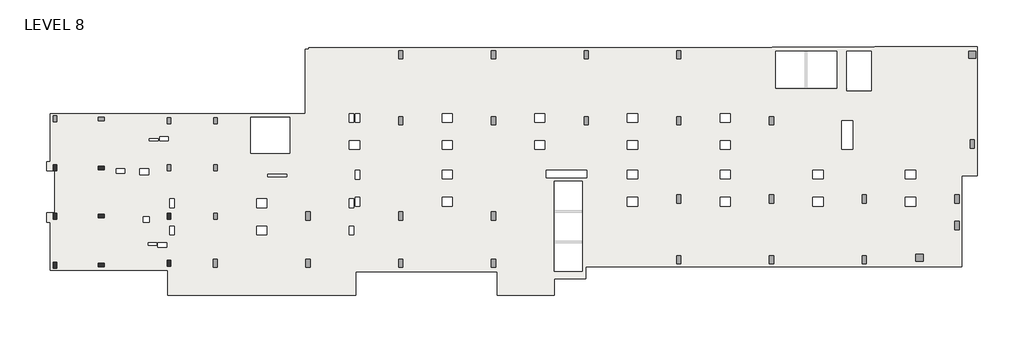
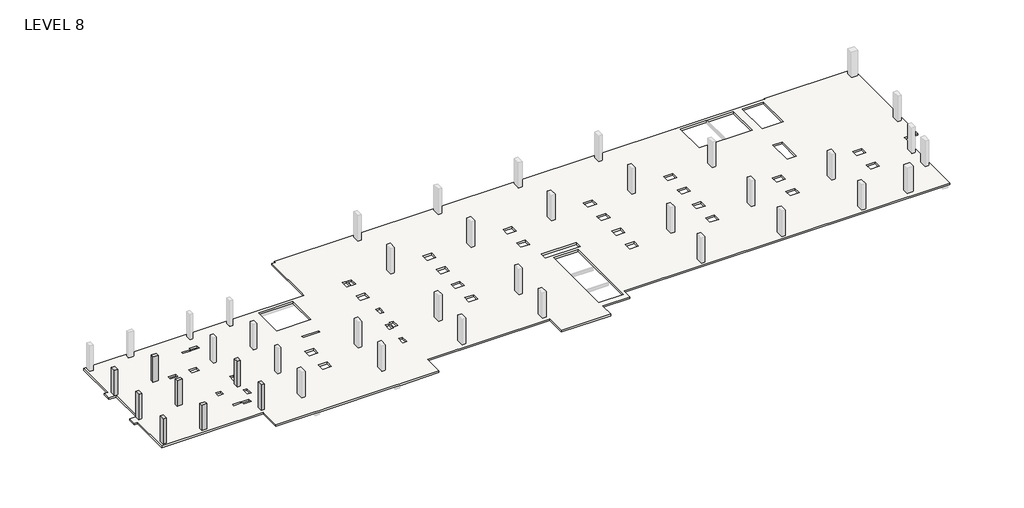
# One storey, part 1 of 2: 8 columns, 1 slab.
"""IFC4 building model written with IfcOpenShell, lengths in millimetres."""

from ifc_helpers import new_model, si_unit, frame, origin, place, context, project, spatial, polyline, outline, extrude, faceted_brep, element, save

model = new_model("IFC4")

# Units and contexts
model_context = context("Model", 3, world=origin())
ifc_project = project(units=[si_unit("LENGTHUNIT", "METRE", prefix="MILLI")], contexts=[model_context])

# Site, building, storey
site = spatial("IfcSite", under=ifc_project)
building = spatial("IfcBuilding", under=site)
storey = spatial("IfcBuildingStorey", under=building, Name="LEVEL 8", Elevation=24587.2)

# Columns
placement = place(None, origin())
element("IfcColumn", 1, ObjectType="UC Concrete-Rectangular-Column : 12 x 20", at=placement, inside=storey, context=model_context, shape_type="SweptSolid", body=[
    extrude(outline(polyline([(-12613.7610058, -25075.0962939), (-12613.7610058, -25583.0962939), (-12918.5610058, -25583.0962939), (-12918.5610058, -25075.0962939), (-12613.7610058, -25075.0962939)])), frame((0.0, 0.0, 24587.2), z_axis=(0.0, 0.0, 1.0), x_axis=(1.0, 0.0, 0.0)), (0.0, 0.0, 1.0), 2667.0),
])
element("IfcColumn", 2, ObjectType="UC Concrete-Rectangular-Column : 12 x 20", at=placement, inside=storey, context=model_context, shape_type="SweptSolid", body=[
    extrude(outline(polyline([(-9057.7610058, -25176.6962939), (-8549.7610058, -25176.6962939), (-8549.7610058, -25481.4962939), (-9057.7610058, -25481.4962939), (-9057.7610058, -25176.6962939)])), frame((0.0, 0.0, 24587.2), z_axis=(0.0, 0.0, 1.0), x_axis=(1.0, 0.0, 0.0)), (0.0, 0.0, 1.0), 2667.0),
])
element("IfcColumn", 3, ObjectType="UC Concrete-Rectangular-Column : 12 x 20", at=placement, inside=storey, context=model_context, shape_type="SweptSolid", body=[
    extrude(outline(polyline([(-12613.7610058, -29189.8962158), (-12613.7610058, -29697.8962158), (-12918.5610058, -29697.8962158), (-12918.5610058, -29189.8962158), (-12613.7610058, -29189.8962158)])), frame((0.0, 0.0, 24587.2), z_axis=(0.0, 0.0, 1.0), x_axis=(1.0, 0.0, 0.0)), (0.0, 0.0, 1.0), 2667.0),
])
element("IfcColumn", 4, ObjectType="UC Concrete-Rectangular-Column : 12 x 20", at=placement, inside=storey, context=model_context, shape_type="SweptSolid", body=[
    extrude(outline(polyline([(-8549.7610058, -29596.2962158), (-9057.7610058, -29596.2962158), (-9057.7610058, -29291.4962158), (-8549.7610058, -29291.4962158), (-8549.7610058, -29596.2962158)])), frame((0.0, 0.0, 24587.2), z_axis=(0.0, 0.0, 1.0), x_axis=(1.0, 0.0, 0.0)), (0.0, 0.0, 1.0), 2667.0),
])
element("IfcColumn", 5, ObjectType="UC Concrete-Rectangular-Column : 12 x 20", at=placement, inside=storey, context=model_context, shape_type="SweptSolid", body=[
    extrude(outline(polyline([(-12613.7610058, -33380.9107149), (-12613.7610058, -33888.9107149), (-12918.5610058, -33888.9107149), (-12918.5610058, -33380.9107149), (-12613.7610058, -33380.9107149)])), frame((0.0, 0.0, 24587.2), z_axis=(0.0, 0.0, 1.0), x_axis=(1.0, 0.0, 0.0)), (0.0, 0.0, 1.0), 2667.0),
])
element("IfcColumn", 6, ObjectType="UC Concrete-Rectangular-Column : 12 x 20", at=placement, inside=storey, context=model_context, shape_type="SweptSolid", body=[
    extrude(outline(polyline([(-9057.7610058, -33482.5107149), (-8549.7610058, -33482.5107149), (-8549.7610058, -33787.3107149), (-9057.7610058, -33787.3107149), (-9057.7610058, -33482.5107149)])), frame((0.0, 0.0, 24587.2), z_axis=(0.0, 0.0, 1.0), x_axis=(1.0, 0.0, 0.0)), (0.0, 0.0, 1.0), 2667.0),
])
element("IfcColumn", 7, ObjectType="UC Concrete-Rectangular-Column : 12 x 20", at=placement, inside=storey, context=model_context, shape_type="SweptSolid", body=[
    extrude(outline(polyline([(-2860.1610058, -29189.8962158), (-2860.1610058, -29697.8962158), (-3164.9610058, -29697.8962158), (-3164.9610058, -29189.8962158), (-2860.1610058, -29189.8962158)])), frame((0.0, 0.0, 24587.2), z_axis=(0.0, 0.0, 1.0), x_axis=(1.0, 0.0, 0.0)), (0.0, 0.0, 1.0), 2667.0),
])
element("IfcColumn", 8, ObjectType="UC Concrete-Rectangular-Column : 12 x 20", at=placement, inside=storey, context=model_context, shape_type="SweptSolid", body=[
    extrude(outline(polyline([(-2860.1610058, -33228.5107149), (-2860.1610058, -33736.5107149), (-3164.9610058, -33736.5107149), (-3164.9610058, -33228.5107149), (-2860.1610058, -33228.5107149)])), frame((0.0, 0.0, 24587.2), z_axis=(0.0, 0.0, 1.0), x_axis=(1.0, 0.0, 0.0)), (0.0, 0.0, 1.0), 2667.0),
])

# Slab
element("IfcSlab", 9, ObjectType="7\" Concrete", at=placement, inside=storey, context=model_context, shape_type="Brep", body=[
    faceted_brep([(57329.9014942, -15029.4107149, 24409.4), (57329.9014942, -14953.2107149, 24409.4), (66100.8383695, -14953.2107149, 24409.4), (66100.8383695, -25989.5107149, 24409.4), (64773.6889942, -25989.5107149, 24409.4), (64773.6889942, -33774.6107149, 24409.4), (32604.5889942, -33774.6107149, 24409.4), (32604.5889942, -34790.6107149, 24409.4), (29915.3639942, -34790.6107149, 24409.4), (29915.3639942, -36213.0107149, 24409.4), (25029.0393065, -36213.0107149, 24409.4), (25029.0393065, -34219.1107149, 24409.4), (12964.0386818, -34219.1107149, 24409.4), (12964.0386818, -36213.0107149, 24409.4), (9077.8389942, -36213.0107149, 24409.4), (8671.4389942, -36213.0107149, 24409.4), (1153.0389942, -36213.0107149, 24409.4), (746.6389942, -36213.0107149, 24409.4), (-3120.5110058, -36213.0107149, 24409.4), (-3120.5110058, -34060.3310305, 24409.4), (-13155.4513218, -34060.3310305, 24409.4), (-13155.4513218, -29958.2607149, 24409.4), (-13483.7110058, -29958.2607149, 24409.4), (-13483.7110058, -29183.5607149, 24409.4), (-12766.1169468, -29183.5607149, 24409.4), (-12766.1169468, -25589.4607149, 24409.4), (-13483.7110058, -25589.4607149, 24409.4), (-13483.7110058, -24814.7607149, 24409.4), (-13155.4513218, -24814.7607149, 24409.4), (-13155.4513218, -20712.6903994, 24409.4), (797.4389942, -20712.6903994, 24409.4), (8620.6389942, -20712.6903994, 24409.4), (8620.6389942, -15197.6857149, 24409.4), (8925.4389942, -15197.6857149, 24409.4), (8925.4389942, -15054.8107149, 24409.4), (48541.5014942, -15054.8107149, 24409.4), (48541.5014942, -15029.4107149, 24409.4), (54078.7014942, -15334.2107149, 24409.4), (48846.3014942, -15334.2107149, 24409.4), (48846.3014942, -18511.7121146, 24409.4), (54078.7014942, -18511.7121146, 24409.4), (29912.1889942, -34181.7272222, 24409.4), (32299.7889942, -34181.7272222, 24409.4), (32299.7889942, -26487.2692077, 24409.4), (29912.1889942, -26487.2692077, 24409.4), (3972.4389942, -21017.4903994, 24409.4), (3972.4389942, -24095.6232149, 24409.4), (7325.2389942, -24095.6232149, 24409.4), (7325.2389942, -21017.4903994, 24409.4), (57025.1014942, -15334.2107149, 24409.4), (54933.1413578, -15334.2107149, 24409.4), (54933.1413578, -18744.1607149, 24409.4), (57025.1014942, -18744.1607149, 24409.4), (29123.2162484, -20696.7857149, 24409.4), (28250.0617399, -20696.7857149, 24409.4), (28250.0617399, -21427.0315227, 24409.4), (29123.2162484, -21427.0315227, 24409.4), (29123.2329503, -23011.3607149, 24409.4), (28250.045038, -23011.3607149, 24409.4), (28250.045038, -23744.7857149, 24409.4), (29123.2329503, -23744.7857149, 24409.4), (37048.0162484, -20696.7857149, 24409.4), (36174.8617399, -20696.7857149, 24409.4), (36174.8617399, -21427.0315227, 24409.4), (37048.0162484, -21427.0315227, 24409.4), (37048.0329503, -23011.3607149, 24409.4), (36174.845038, -23011.3607149, 24409.4), (36174.845038, -23744.7857149, 24409.4), (37048.0329503, -23744.7857149, 24409.4), (37048.0329503, -25541.8357149, 24409.4), (36174.8784418, -25541.8357149, 24409.4), (36174.8784418, -26272.0815227, 24409.4), (37048.0329503, -26272.0815227, 24409.4), (37048.0496522, -27856.4107149, 24409.4), (36174.8617399, -27856.4107149, 24409.4), (36174.8617399, -28589.8357149, 24409.4), (37048.0496522, -28589.8357149, 24409.4), (44972.8162484, -20696.7857149, 24409.4), (44099.6617399, -20696.7857149, 24409.4), (44099.6617399, -21427.0315227, 24409.4), (44972.8162484, -21427.0315227, 24409.4), (44972.8329503, -23011.3607149, 24409.4), (44099.645038, -23011.3607149, 24409.4), (44099.645038, -23744.7857149, 24409.4), (44972.8329503, -23744.7857149, 24409.4), (44972.8329503, -25541.8357149, 24409.4), (44099.6784418, -25541.8357149, 24409.4), (44099.6784418, -26272.0815227, 24409.4), (44972.8329503, -26272.0815227, 24409.4), (44972.8496522, -27856.4107149, 24409.4), (44099.6617399, -27856.4107149, 24409.4), (44099.6617399, -28589.8357149, 24409.4), (44972.8496522, -28589.8357149, 24409.4), (55421.7306924, -21315.9107149, 24409.4), (54513.6767085, -21315.9107149, 24409.4), (54513.6767085, -23754.3107149, 24409.4), (55421.7306924, -23754.3107149, 24409.4), (52897.6329503, -25541.8357149, 24409.4), (52024.4784418, -25541.8357149, 24409.4), (52024.4784418, -26272.0815227, 24409.4), (52897.6329503, -26272.0815227, 24409.4), (52897.6496522, -27856.4107149, 24409.4), (52024.4617399, -27856.4107149, 24409.4), (52024.4617399, -28589.8357149, 24409.4), (52897.6496522, -28589.8357149, 24409.4), (60822.4329503, -25541.8357149, 24409.4), (59949.2784418, -25541.8357149, 24409.4), (59949.2784418, -26272.0815227, 24409.4), (60822.4329503, -26272.0815227, 24409.4), (60822.4496522, -27856.4107149, 24409.4), (59949.2617399, -27856.4107149, 24409.4), (59949.2617399, -28589.8357149, 24409.4), (60822.4496522, -28589.8357149, 24409.4), (21198.4162484, -20696.7857149, 24409.4), (20325.2617399, -20696.7857149, 24409.4), (20325.2617399, -21427.0315227, 24409.4), (21198.4162484, -21427.0315227, 24409.4), (21198.4329503, -23011.3607149, 24409.4), (20325.245038, -23011.3607149, 24409.4), (20325.245038, -23744.7857149, 24409.4), (21198.4329503, -23744.7857149, 24409.4), (21198.4329503, -25540.2600871, 24409.4), (20325.245038, -25540.2600871, 24409.4), (20325.245038, -26273.6850871, 24409.4), (21198.4329503, -26273.6850871, 24409.4), (21198.4329503, -27856.4247435, 24409.4), (20325.245038, -27856.4247435, 24409.4), (20325.245038, -28589.8497435, 24409.4), (21198.4329503, -28589.8497435, 24409.4), (13273.6162484, -23011.3747435, 24409.4), (12400.4283362, -23011.3747435, 24409.4), (12400.4283362, -23744.7997435, 24409.4), (13273.6162484, -23744.7997435, 24409.4), (13273.6329503, -25549.7872435, 24409.4), (12898.9511818, -25549.7872435, 24409.4), (12898.9511818, -26283.2122435, 24409.4), (13273.6329503, -26283.2122435, 24409.4), (13273.6329503, -27858.0306162, 24409.4), (12898.9511818, -27858.0306162, 24409.4), (12898.9511818, -28591.4556162, 24409.4), (13273.6329503, -28591.4556162, 24409.4), (12775.1350013, -27980.26602, 24409.4), (12400.4532328, -27980.26602, 24409.4), (12400.4532328, -28713.69102, 24409.4), (12775.1350013, -28713.69102, 24409.4), (12775.1350013, -30296.4143396, 24409.4), (12400.4532328, -30296.4143396, 24409.4), (12400.4532328, -31029.8393396, 24409.4), (12775.1350013, -31029.8393396, 24409.4), (5348.8159361, -30296.4143396, 24409.4), (4475.6620523, -30296.4143396, 24409.4), (4475.6620523, -31029.8393396, 24409.4), (5348.8159361, -31029.8393396, 24409.4), (-4736.5860058, -25391.0377141, 24409.4), (-5495.4110058, -25391.0377141, 24409.4), (-5495.4110058, -25894.3063579, 24409.4), (-4736.5860058, -25894.3063579, 24409.4), (-2575.9840639, -30297.9899072, 24409.4), (-2936.3610058, -30297.9899072, 24409.4), (-2936.3610058, -31028.2357149, 24409.4), (-2575.9840639, -31028.2357149, 24409.4), (-2575.9673621, -27980.2327488, 24409.4), (-2936.3610058, -27980.2327488, 24409.4), (-2936.3610058, -28713.6577488, 24409.4), (-2575.9673621, -28713.6577488, 24409.4), (-3955.5318136, -31734.6434324, 24409.4), (-3955.5318136, -32129.9453743, 24409.4), (-3212.5860058, -32129.9453743, 24409.4), (-3212.5860058, -31734.6434324, 24409.4), (-4809.6068136, -31744.9675477, 24409.4), (-4809.6068136, -31933.1120762, 24409.4), (-4050.7818136, -31933.1120762, 24409.4), (-4050.7818136, -31744.9675477, 24409.4), (13273.6245994, -20696.7857149, 24409.4), (12898.9428309, -20696.7857149, 24409.4), (12898.9428309, -21427.0315227, 24409.4), (13273.6245994, -21427.0315227, 24409.4), (12775.1351575, -20696.7857149, 24409.4), (12400.453389, -20696.7857149, 24409.4), (12400.453389, -21427.0315227, 24409.4), (12775.1351575, -21427.0315227, 24409.4), (-4685.7818136, -22839.9093537, 24409.4), (-4685.7818136, -23025.6779974, 24409.4), (-3926.9568136, -23025.6779974, 24409.4), (-3926.9568136, -22839.9093537, 24409.4), (-5207.5557798, -29505.837636, 24409.4), (-5207.5557798, -29980.4953131, 24409.4), (-4708.0110058, -29980.4953131, 24409.4), (-4708.0110058, -29505.837636, 24409.4), (29254.9639942, -25513.2607149, 24409.4), (29254.9639942, -26182.4692077, 24409.4), (32693.4889942, -26182.4692077, 24409.4), (32693.4889942, -25513.2607149, 24409.4), (7044.9556867, -25881.5621481, 24409.4), (5407.1871152, -25881.5621481, 24409.4), (5407.1871152, -26084.7621481, 24409.4), (7044.9556867, -26084.7621481, 24409.4), (5348.8159361, -27981.0375273, 24409.4), (4475.6620523, -27981.0375273, 24409.4), (4475.6620523, -28714.4625273, 24409.4), (5348.8159361, -28714.4625273, 24409.4), (-7516.3006019, -25401.3473693, 24409.4), (-7516.3006019, -25776.0291377, 24409.4), (-6782.8756019, -25776.0291377, 24409.4), (-6782.8756019, -25401.3473693, 24409.4), (-3826.9323811, -22647.0361423, 24409.4), (-3826.9323811, -23021.7179107, 24409.4), (-3093.5073811, -23021.7179107, 24409.4), (-3093.5073811, -22647.0361423, 24409.4), (57329.9014942, -14953.2107149, 24587.2), (57329.9014942, -15029.4107149, 24587.2), (48541.5014942, -15029.4107149, 24587.2), (48541.5014942, -15054.8107149, 24587.2), (8925.4389942, -15054.8107149, 24587.2), (8925.4389942, -15197.6857149, 24587.2), (8620.6389942, -15197.6857149, 24587.2), (8620.6389942, -20712.6903994, 24587.2), (-13155.4513218, -20712.6903994, 24587.2), (-13155.4513218, -24814.7607149, 24587.2), (-13483.7110058, -24814.7607149, 24587.2), (-13483.7110058, -25589.4607149, 24587.2), (-12766.1169468, -25589.4607149, 24587.2), (-12766.1169468, -29183.5607149, 24587.2), (-13483.7110058, -29183.5607149, 24587.2), (-13483.7110058, -29958.2607149, 24587.2), (-13155.4513218, -29958.2607149, 24587.2), (-13155.4513218, -34060.3310305, 24587.2), (-3120.5110058, -34060.3310305, 24587.2), (-3120.5110058, -36213.0107149, 24587.2), (12964.0386818, -36213.0107149, 24587.2), (12964.0386818, -34219.1107149, 24587.2), (25029.0393065, -34219.1107149, 24587.2), (25029.0393065, -36213.0107149, 24587.2), (29915.3639942, -36213.0107149, 24587.2), (29915.3639942, -34790.6107149, 24587.2), (32604.5889942, -34790.6107149, 24587.2), (32604.5889942, -33774.6107149, 24587.2), (64773.6889942, -33774.6107149, 24587.2), (64773.6889942, -25989.5107149, 24587.2), (66100.8383695, -25989.5107149, 24587.2), (66100.8383695, -14953.2107149, 24587.2), (48846.3014942, -15334.2107149, 24587.2), (54078.7014942, -15334.2107149, 24587.2), (54078.7014942, -18511.7121146, 24587.2), (48846.3014942, -18511.7121146, 24587.2), (32299.7889942, -34181.7272222, 24587.2), (29912.1889942, -34181.7272222, 24587.2), (29912.1889942, -26487.2692077, 24587.2), (32299.7889942, -26487.2692077, 24587.2), (3972.4389942, -24095.6232149, 24587.2), (3972.4389942, -21017.4903994, 24587.2), (7325.2389942, -21017.4903994, 24587.2), (7325.2389942, -24095.6232149, 24587.2), (54933.1413578, -15334.2107149, 24587.2), (57025.1014942, -15334.2107149, 24587.2), (57025.1014942, -18744.1607149, 24587.2), (54933.1413578, -18744.1607149, 24587.2), (28250.0617399, -20696.7857149, 24587.2), (29123.2162484, -20696.7857149, 24587.2), (29123.2162484, -21427.0315227, 24587.2), (28250.0617399, -21427.0315227, 24587.2), (28250.045038, -23011.3607149, 24587.2), (29123.2329503, -23011.3607149, 24587.2), (29123.2329503, -23744.7857149, 24587.2), (28250.045038, -23744.7857149, 24587.2), (36174.8617399, -20696.7857149, 24587.2), (37048.0162484, -20696.7857149, 24587.2), (37048.0162484, -21427.0315227, 24587.2), (36174.8617399, -21427.0315227, 24587.2), (36174.845038, -23011.3607149, 24587.2), (37048.0329503, -23011.3607149, 24587.2), (37048.0329503, -23744.7857149, 24587.2), (36174.845038, -23744.7857149, 24587.2), (36174.8784418, -25541.8357149, 24587.2), (37048.0329503, -25541.8357149, 24587.2), (37048.0329503, -26272.0815227, 24587.2), (36174.8784418, -26272.0815227, 24587.2), (36174.8617399, -27856.4107149, 24587.2), (37048.0496522, -27856.4107149, 24587.2), (37048.0496522, -28589.8357149, 24587.2), (36174.8617399, -28589.8357149, 24587.2), (44099.6617399, -20696.7857149, 24587.2), (44972.8162484, -20696.7857149, 24587.2), (44972.8162484, -21427.0315227, 24587.2), (44099.6617399, -21427.0315227, 24587.2), (44099.645038, -23011.3607149, 24587.2), (44972.8329503, -23011.3607149, 24587.2), (44972.8329503, -23744.7857149, 24587.2), (44099.645038, -23744.7857149, 24587.2), (44099.6784418, -25541.8357149, 24587.2), (44972.8329503, -25541.8357149, 24587.2), (44972.8329503, -26272.0815227, 24587.2), (44099.6784418, -26272.0815227, 24587.2), (44099.6617399, -27856.4107149, 24587.2), (44972.8496522, -27856.4107149, 24587.2), (44972.8496522, -28589.8357149, 24587.2), (44099.6617399, -28589.8357149, 24587.2), (54513.6767085, -21315.9107149, 24587.2), (55421.7306924, -21315.9107149, 24587.2), (55421.7306924, -23754.3107149, 24587.2), (54513.6767085, -23754.3107149, 24587.2), (52024.4784418, -25541.8357149, 24587.2), (52897.6329503, -25541.8357149, 24587.2), (52897.6329503, -26272.0815227, 24587.2), (52024.4784418, -26272.0815227, 24587.2), (52024.4617399, -27856.4107149, 24587.2), (52897.6496522, -27856.4107149, 24587.2), (52897.6496522, -28589.8357149, 24587.2), (52024.4617399, -28589.8357149, 24587.2), (59949.2784418, -25541.8357149, 24587.2), (60822.4329503, -25541.8357149, 24587.2), (60822.4329503, -26272.0815227, 24587.2), (59949.2784418, -26272.0815227, 24587.2), (59949.2617399, -27856.4107149, 24587.2), (60822.4496522, -27856.4107149, 24587.2), (60822.4496522, -28589.8357149, 24587.2), (59949.2617399, -28589.8357149, 24587.2), (20325.2617399, -20696.7857149, 24587.2), (21198.4162484, -20696.7857149, 24587.2), (21198.4162484, -21427.0315227, 24587.2), (20325.2617399, -21427.0315227, 24587.2), (20325.245038, -23011.3607149, 24587.2), (21198.4329503, -23011.3607149, 24587.2), (21198.4329503, -23744.7857149, 24587.2), (20325.245038, -23744.7857149, 24587.2), (20325.245038, -25540.2600871, 24587.2), (21198.4329503, -25540.2600871, 24587.2), (21198.4329503, -26273.6850871, 24587.2), (20325.245038, -26273.6850871, 24587.2), (20325.245038, -27856.4247435, 24587.2), (21198.4329503, -27856.4247435, 24587.2), (21198.4329503, -28589.8497435, 24587.2), (20325.245038, -28589.8497435, 24587.2), (12400.4283362, -23011.3747435, 24587.2), (13273.6162484, -23011.3747435, 24587.2), (13273.6162484, -23744.7997435, 24587.2), (12400.4283362, -23744.7997435, 24587.2), (12898.9511818, -25549.7872435, 24587.2), (13273.6329503, -25549.7872435, 24587.2), (13273.6329503, -26283.2122435, 24587.2), (12898.9511818, -26283.2122435, 24587.2), (12898.9511818, -27858.0306162, 24587.2), (13273.6329503, -27858.0306162, 24587.2), (13273.6329503, -28591.4556162, 24587.2), (12898.9511818, -28591.4556162, 24587.2), (12400.4532328, -27980.26602, 24587.2), (12775.1350013, -27980.26602, 24587.2), (12775.1350013, -28713.69102, 24587.2), (12400.4532328, -28713.69102, 24587.2), (12400.4532328, -30296.4143396, 24587.2), (12775.1350013, -30296.4143396, 24587.2), (12775.1350013, -31029.8393396, 24587.2), (12400.4532328, -31029.8393396, 24587.2), (4475.6620523, -30296.4143396, 24587.2), (5348.8159361, -30296.4143396, 24587.2), (5348.8159361, -31029.8393396, 24587.2), (4475.6620523, -31029.8393396, 24587.2), (-5495.4110058, -25391.0377141, 24587.2), (-4736.5860058, -25391.0377141, 24587.2), (-4736.5860058, -25894.3063579, 24587.2), (-5495.4110058, -25894.3063579, 24587.2), (-2936.3610058, -30297.9899072, 24587.2), (-2575.9840639, -30297.9899072, 24587.2), (-2575.9840639, -31028.2357149, 24587.2), (-2936.3610058, -31028.2357149, 24587.2), (-2936.3610058, -27980.2327488, 24587.2), (-2575.9673621, -27980.2327488, 24587.2), (-2575.9673621, -28713.6577488, 24587.2), (-2936.3610058, -28713.6577488, 24587.2), (-3955.5318136, -32129.9453743, 24587.2), (-3955.5318136, -31734.6434324, 24587.2), (-3212.5860058, -31734.6434324, 24587.2), (-3212.5860058, -32129.9453743, 24587.2), (-4809.6068136, -31933.1120762, 24587.2), (-4809.6068136, -31744.9675477, 24587.2), (-4050.7818136, -31744.9675477, 24587.2), (-4050.7818136, -31933.1120762, 24587.2), (12898.9428309, -20696.7857149, 24587.2), (13273.6245994, -20696.7857149, 24587.2), (13273.6245994, -21427.0315227, 24587.2), (12898.9428309, -21427.0315227, 24587.2), (12400.453389, -20696.7857149, 24587.2), (12775.1351575, -20696.7857149, 24587.2), (12775.1351575, -21427.0315227, 24587.2), (12400.453389, -21427.0315227, 24587.2), (-4685.7818136, -23025.6779974, 24587.2), (-4685.7818136, -22839.9093537, 24587.2), (-3926.9568136, -22839.9093537, 24587.2), (-3926.9568136, -23025.6779974, 24587.2), (-5207.5557798, -29980.4953131, 24587.2), (-5207.5557798, -29505.837636, 24587.2), (-4708.0110058, -29505.837636, 24587.2), (-4708.0110058, -29980.4953131, 24587.2), (29254.9639942, -26182.4692077, 24587.2), (29254.9639942, -25513.2607149, 24587.2), (32693.4889942, -25513.2607149, 24587.2), (32693.4889942, -26182.4692077, 24587.2), (5407.1871152, -25881.5621481, 24587.2), (7044.9556867, -25881.5621481, 24587.2), (7044.9556867, -26084.7621481, 24587.2), (5407.1871152, -26084.7621481, 24587.2), (4475.6620523, -27981.0375273, 24587.2), (5348.8159361, -27981.0375273, 24587.2), (5348.8159361, -28714.4625273, 24587.2), (4475.6620523, -28714.4625273, 24587.2), (-7516.3006019, -25776.0291377, 24587.2), (-7516.3006019, -25401.3473693, 24587.2), (-6782.8756019, -25401.3473693, 24587.2), (-6782.8756019, -25776.0291377, 24587.2), (-3826.9323811, -23021.7179107, 24587.2), (-3826.9323811, -22647.0361423, 24587.2), (-3093.5073811, -22647.0361423, 24587.2), (-3093.5073811, -23021.7179107, 24587.2)], [[[0, 1, 2, 3, 4, 5, 6, 7, 8, 9, 10, 11, 12, 13, 14, 15, 16, 17, 18, 19, 20, 21, 22, 23, 24, 25, 26, 27, 28, 29, 30, 31, 32, 33, 34, 35, 36], [37, 38, 39, 40], [41, 42, 43, 44], [45, 46, 47, 48], [49, 50, 51, 52], [53, 54, 55, 56], [57, 58, 59, 60], [61, 62, 63, 64], [65, 66, 67, 68], [69, 70, 71, 72], [73, 74, 75, 76], [77, 78, 79, 80], [81, 82, 83, 84], [85, 86, 87, 88], [89, 90, 91, 92], [93, 94, 95, 96], [97, 98, 99, 100], [101, 102, 103, 104], [105, 106, 107, 108], [109, 110, 111, 112], [113, 114, 115, 116], [117, 118, 119, 120], [121, 122, 123, 124], [125, 126, 127, 128], [129, 130, 131, 132], [133, 134, 135, 136], [137, 138, 139, 140], [141, 142, 143, 144], [145, 146, 147, 148], [149, 150, 151, 152], [153, 154, 155, 156], [157, 158, 159, 160], [161, 162, 163, 164], [165, 166, 167, 168], [169, 170, 171, 172], [173, 174, 175, 176], [177, 178, 179, 180], [181, 182, 183, 184], [185, 186, 187, 188], [189, 190, 191, 192], [193, 194, 195, 196], [197, 198, 199, 200], [201, 202, 203, 204], [205, 206, 207, 208]], [[209, 210, 211, 212, 213, 214, 215, 216, 217, 218, 219, 220, 221, 222, 223, 224, 225, 226, 227, 228, 229, 230, 231, 232, 233, 234, 235, 236, 237, 238, 239, 240], [241, 242, 243, 244], [245, 246, 247, 248], [249, 250, 251, 252], [253, 254, 255, 256], [257, 258, 259, 260], [261, 262, 263, 264], [265, 266, 267, 268], [269, 270, 271, 272], [273, 274, 275, 276], [277, 278, 279, 280], [281, 282, 283, 284], [285, 286, 287, 288], [289, 290, 291, 292], [293, 294, 295, 296], [297, 298, 299, 300], [301, 302, 303, 304], [305, 306, 307, 308], [309, 310, 311, 312], [313, 314, 315, 316], [317, 318, 319, 320], [321, 322, 323, 324], [325, 326, 327, 328], [329, 330, 331, 332], [333, 334, 335, 336], [337, 338, 339, 340], [341, 342, 343, 344], [345, 346, 347, 348], [349, 350, 351, 352], [353, 354, 355, 356], [357, 358, 359, 360], [361, 362, 363, 364], [365, 366, 367, 368], [369, 370, 371, 372], [373, 374, 375, 376], [377, 378, 379, 380], [381, 382, 383, 384], [385, 386, 387, 388], [389, 390, 391, 392], [393, 394, 395, 396], [397, 398, 399, 400], [401, 402, 403, 404], [405, 406, 407, 408], [409, 410, 411, 412]], [[37, 242, 241, 38]], [[38, 241, 244, 39]], [[39, 244, 243, 40]], [[242, 37, 40, 243]], [[41, 246, 245, 42]], [[42, 245, 248, 43]], [[43, 248, 247, 44]], [[246, 41, 44, 247]], [[249, 46, 45, 250]], [[46, 249, 252, 47]], [[47, 252, 251, 48]], [[49, 254, 253, 50]], [[50, 253, 256, 51]], [[51, 256, 255, 52]], [[254, 49, 52, 255]], [[53, 258, 257, 54]], [[54, 257, 260, 55]], [[55, 260, 259, 56]], [[258, 53, 56, 259]], [[57, 262, 261, 58]], [[58, 261, 264, 59]], [[59, 264, 263, 60]], [[262, 57, 60, 263]], [[61, 266, 265, 62]], [[62, 265, 268, 63]], [[63, 268, 267, 64]], [[266, 61, 64, 267]], [[65, 270, 269, 66]], [[66, 269, 272, 67]], [[67, 272, 271, 68]], [[270, 65, 68, 271]], [[69, 274, 273, 70]], [[70, 273, 276, 71]], [[71, 276, 275, 72]], [[274, 69, 72, 275]], [[73, 278, 277, 74]], [[74, 277, 280, 75]], [[75, 280, 279, 76]], [[278, 73, 76, 279]], [[77, 282, 281, 78]], [[78, 281, 284, 79]], [[79, 284, 283, 80]], [[282, 77, 80, 283]], [[81, 286, 285, 82]], [[82, 285, 288, 83]], [[83, 288, 287, 84]], [[286, 81, 84, 287]], [[85, 290, 289, 86]], [[86, 289, 292, 87]], [[87, 292, 291, 88]], [[290, 85, 88, 291]], [[89, 294, 293, 90]], [[90, 293, 296, 91]], [[91, 296, 295, 92]], [[294, 89, 92, 295]], [[93, 298, 297, 94]], [[94, 297, 300, 95]], [[95, 300, 299, 96]], [[298, 93, 96, 299]], [[97, 302, 301, 98]], [[98, 301, 304, 99]], [[99, 304, 303, 100]], [[302, 97, 100, 303]], [[101, 306, 305, 102]], [[102, 305, 308, 103]], [[103, 308, 307, 104]], [[306, 101, 104, 307]], [[105, 310, 309, 106]], [[106, 309, 312, 107]], [[107, 312, 311, 108]], [[310, 105, 108, 311]], [[109, 314, 313, 110]], [[110, 313, 316, 111]], [[111, 316, 315, 112]], [[314, 109, 112, 315]], [[113, 318, 317, 114]], [[114, 317, 320, 115]], [[115, 320, 319, 116]], [[318, 113, 116, 319]], [[117, 322, 321, 118]], [[118, 321, 324, 119]], [[119, 324, 323, 120]], [[322, 117, 120, 323]], [[121, 326, 325, 122]], [[122, 325, 328, 123]], [[123, 328, 327, 124]], [[326, 121, 124, 327]], [[125, 330, 329, 126]], [[126, 329, 332, 127]], [[127, 332, 331, 128]], [[330, 125, 128, 331]], [[129, 334, 333, 130]], [[130, 333, 336, 131]], [[131, 336, 335, 132]], [[334, 129, 132, 335]], [[133, 338, 337, 134]], [[134, 337, 340, 135]], [[135, 340, 339, 136]], [[338, 133, 136, 339]], [[137, 342, 341, 138]], [[138, 341, 344, 139]], [[139, 344, 343, 140]], [[342, 137, 140, 343]], [[141, 346, 345, 142]], [[142, 345, 348, 143]], [[143, 348, 347, 144]], [[346, 141, 144, 347]], [[145, 350, 349, 146]], [[146, 349, 352, 147]], [[147, 352, 351, 148]], [[350, 145, 148, 351]], [[149, 354, 353, 150]], [[150, 353, 356, 151]], [[151, 356, 355, 152]], [[354, 149, 152, 355]], [[197, 402, 401, 198]], [[198, 401, 404, 199]], [[199, 404, 403, 200]], [[402, 197, 200, 403]], [[153, 358, 357, 154]], [[154, 357, 360, 155]], [[155, 360, 359, 156]], [[358, 153, 156, 359]], [[157, 362, 361, 158]], [[158, 361, 364, 159]], [[159, 364, 363, 160]], [[362, 157, 160, 363]], [[161, 366, 365, 162]], [[162, 365, 368, 163]], [[163, 368, 367, 164]], [[366, 161, 164, 367]], [[165, 370, 369, 166]], [[166, 369, 372, 167]], [[167, 372, 371, 168]], [[370, 165, 168, 371]], [[201, 406, 405, 202]], [[202, 405, 408, 203]], [[203, 408, 407, 204]], [[406, 201, 204, 407]], [[205, 410, 409, 206]], [[206, 409, 412, 207]], [[207, 412, 411, 208]], [[410, 205, 208, 411]], [[169, 374, 373, 170]], [[170, 373, 376, 171]], [[171, 376, 375, 172]], [[374, 169, 172, 375]], [[173, 378, 377, 174]], [[174, 377, 380, 175]], [[175, 380, 379, 176]], [[378, 173, 176, 379]], [[177, 382, 381, 178]], [[178, 381, 384, 179]], [[179, 384, 383, 180]], [[382, 177, 180, 383]], [[181, 386, 385, 182]], [[182, 385, 388, 183]], [[183, 388, 387, 184]], [[386, 181, 184, 387]], [[185, 390, 389, 186]], [[186, 389, 392, 187]], [[187, 392, 391, 188]], [[390, 185, 188, 391]], [[189, 394, 393, 190]], [[190, 393, 396, 191]], [[191, 396, 395, 192]], [[394, 189, 192, 395]], [[193, 398, 397, 194]], [[194, 397, 400, 195]], [[195, 400, 399, 196]], [[398, 193, 196, 399]], [[1, 0, 210, 209]], [[2, 1, 209, 240]], [[3, 2, 240, 239]], [[4, 3, 239, 238]], [[5, 4, 238, 237]], [[6, 5, 237, 236]], [[7, 6, 236, 235]], [[8, 7, 235, 234]], [[9, 8, 234, 233]], [[10, 9, 233, 232]], [[11, 10, 232, 231]], [[12, 11, 231, 230]], [[13, 12, 230, 229]], [[18, 17, 16, 15, 14, 13, 229, 228]], [[19, 18, 228, 227]], [[20, 19, 227, 226]], [[21, 20, 226, 225]], [[22, 21, 225, 224]], [[23, 22, 224, 223]], [[24, 23, 223, 222]], [[25, 24, 222, 221]], [[26, 25, 221, 220]], [[27, 26, 220, 219]], [[28, 27, 219, 218]], [[29, 28, 218, 217]], [[31, 30, 29, 217, 216]], [[32, 31, 216, 215]], [[33, 32, 215, 214]], [[34, 33, 214, 213]], [[35, 34, 213, 212]], [[36, 35, 212, 211]], [[0, 36, 211, 210]], [[250, 45, 48, 251]]]),
])

save(model, "model.ifc")
